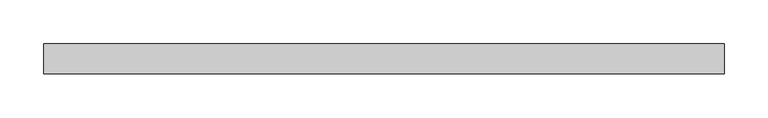
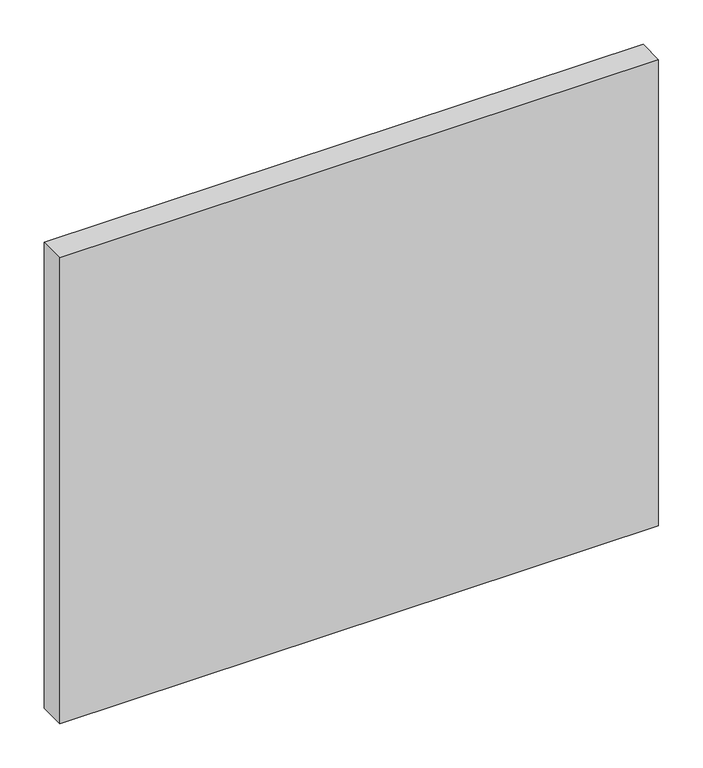
"""IFC4 building model written with IfcOpenShell, lengths in millimetres: plate geometry."""

from ifc_helpers import new_model, si_unit, origin, origin_with_axes, place, context, project, spatial, polyline, outline, extrude, source, transform, mapped, element, save


def plate_f567ab9b(model_context):
    return source(origin(), model_context, "Body", "SweptSolid", [
        extrude(outline(polyline([(391.3125, -17.5), (-391.3125, -17.5), (-391.3125, 17.5), (391.3125, 17.5), (391.3125, -17.5)])), origin_with_axes(), (0.0, 0.0, 1.0), 643.8125),
    ])


if __name__ == "__main__":
    model = new_model("IFC4")
    model_context = context("Model", 3, world=origin())
    ifc_project = project(units=[si_unit("LENGTHUNIT", "METRE", prefix="MILLI")], contexts=[model_context])
    site = spatial("IfcSite", under=ifc_project)
    building = spatial("IfcBuilding", under=site)
    placement = place(None, origin())
    plate_shape = plate_f567ab9b(model_context)
    element("IfcPlate", 1, at=placement, inside=building, context=model_context, shape_type="MappedRepresentation", body=[
        mapped(plate_shape, transform((0.0, 0.0, 0.0), x_axis=(1.0, 0.0, 0.0), y_axis=(0.0, 1.0, 0.0), z_axis=(0.0, 0.0, 1.0))),
    ])
    save(model, "model.ifc")
